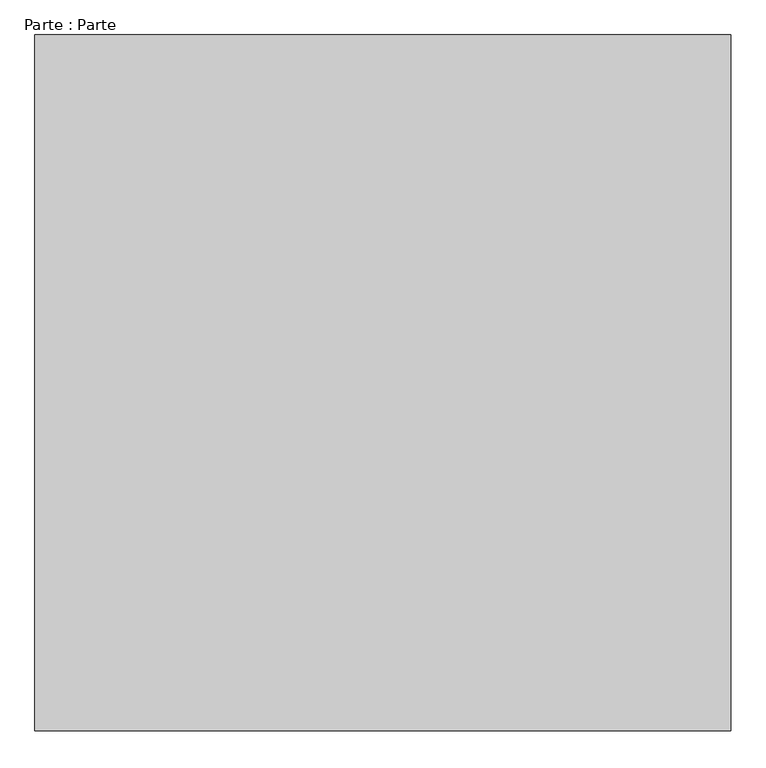
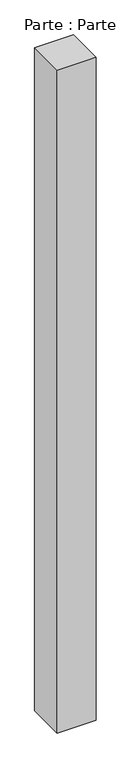
"""IFC4 building model written with IfcOpenShell, lengths in millimetres: proxy geometry, Parte : Parte."""

from ifc_helpers import new_model, si_unit, origin, origin_with_axes, place, context, project, spatial, polyline, outline, extrude, source, transform, mapped, element, save


def parte_parte_94ab7c72(model_context):
    return source(origin(), model_context, "Body", "SweptSolid", [
        extrude(outline(polyline([(293.1364616, 621.025111), (293.1364616, -378.974889), (-706.8635384, -378.974889), (-706.8635384, 621.025111), (293.1364616, 621.025111)])), origin_with_axes(), (0.0, 0.0, 1.0), 18000.0),
    ])


if __name__ == "__main__":
    model = new_model("IFC4")
    model_context = context("Model", 3, world=origin())
    ifc_project = project(units=[si_unit("LENGTHUNIT", "METRE", prefix="MILLI")], contexts=[model_context])
    site = spatial("IfcSite", under=ifc_project)
    building = spatial("IfcBuilding", under=site)
    placement = place(None, origin())
    parte_parte_shape = parte_parte_94ab7c72(model_context)
    element("IfcBuildingElementProxy", 1, Name="Parte : Parte", ObjectType="Parte : Parte", at=placement, inside=building, context=model_context, shape_type="MappedRepresentation", body=[
        mapped(parte_parte_shape, transform((0.0, 0.0, 0.0), x_axis=(1.0, 0.0, 0.0), y_axis=(0.0, 1.0, 0.0), z_axis=(0.0, 0.0, 1.0))),
    ])
    save(model, "model.ifc")
